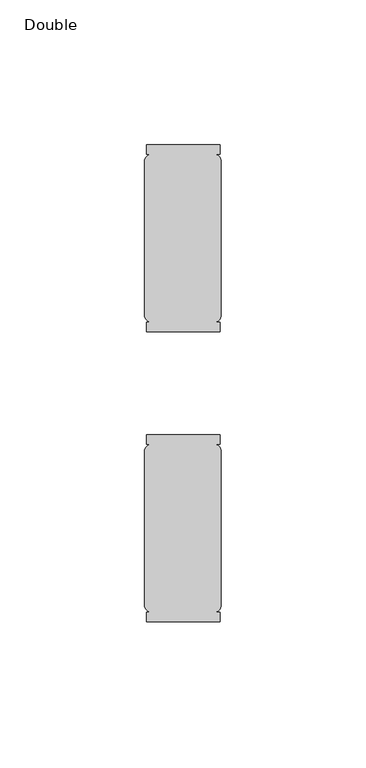
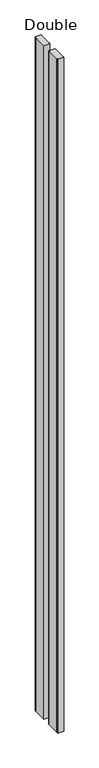
"""IFC4 building model written with IfcOpenShell, lengths in millimetres: furniture geometry, Double."""

from ifc_helpers import new_model, si_unit, point, frame, frame_2d, origin, place, context, project, spatial, polyline, circle_curve, trimmed, segment, composite_curve, outline, extrude, source, transform, mapped, element, save


def double_fddc63f3(model_context):
    return source(origin(), model_context, "Body", "SweptSolid", [
        extrude(outline(composite_curve([segment(polyline([(-13.1617229, 27.4619229), (-13.1617229, 81.5040771)]), True, "CONTINUOUS"), segment(trimmed(circle_curve(frame_2d((-10.4608087, 80.7888858)), 2.794), [point((-13.1617229, 81.5040771))], [point((-11.176, 83.4898))], False, "CARTESIAN"), True, "CONTINUOUS"), segment(polyline([(-11.176, 83.4898), (-12.5772868, 83.4898), (-12.5772868, 86.6648), (12.8227132, 86.6648), (12.8227132, 83.4898), (11.176, 83.4898)]), True, "CONTINUOUS"), segment(trimmed(circle_curve(frame_2d((10.4608087, 80.7888858)), 2.794), [point((11.176, 83.4898))], [point((13.1617229, 81.5040771))], False, "CARTESIAN"), True, "CONTINUOUS"), segment(polyline([(13.1617229, 81.5040771), (13.1617229, 27.4619229)]), True, "CONTINUOUS"), segment(trimmed(circle_curve(frame_2d((10.4608087, 28.1771142)), 2.794), [point((13.1617229, 27.4619229))], [point((11.176, 25.4762))], False, "CARTESIAN"), True, "CONTINUOUS"), segment(polyline([(11.176, 25.4762), (12.8227132, 25.4762), (12.8227132, 22.3012), (-12.5772868, 22.3012), (-12.5772868, 25.4762), (-11.176, 25.4762)]), True, "CONTINUOUS"), segment(trimmed(circle_curve(frame_2d((-10.4608087, 28.1771142)), 2.794), [point((-11.176, 25.4762))], [point((-13.1617229, 27.4619229))], False, "CARTESIAN"), True, "CONTINUOUS")], self_intersect=False)), frame((0.0, 0.0, 29.718), z_axis=(0.0, 0.0, 1.0), x_axis=(1.0, 0.0, 0.0)), (0.0, 0.0, 1.0), 2985.227399),
        extrude(outline(composite_curve([segment(trimmed(circle_curve(frame_2d((-10.4608087, -19.2363142)), 2.794), [point((-13.1617229, -18.5211229))], [point((-11.176, -16.5354))], False, "CARTESIAN"), True, "CONTINUOUS"), segment(polyline([(-11.176, -16.5354), (-12.5772868, -16.5354), (-12.5772868, -13.3604), (12.8227132, -13.3604), (12.8227132, -16.5354), (11.176, -16.5354)]), True, "CONTINUOUS"), segment(trimmed(circle_curve(frame_2d((10.4608087, -19.2363142)), 2.794), [point((11.176, -16.5354))], [point((13.1617229, -18.5211229))], False, "CARTESIAN"), True, "CONTINUOUS"), segment(polyline([(13.1617229, -18.5211229), (13.1617229, -72.5632771)]), True, "CONTINUOUS"), segment(trimmed(circle_curve(frame_2d((10.4608087, -71.8480858)), 2.794), [point((13.1617229, -72.5632771))], [point((11.176, -74.549))], False, "CARTESIAN"), True, "CONTINUOUS"), segment(polyline([(11.176, -74.549), (12.8227132, -74.549), (12.8227132, -77.724), (-12.5772868, -77.724), (-12.5772868, -74.549), (-11.176, -74.549)]), True, "CONTINUOUS"), segment(trimmed(circle_curve(frame_2d((-10.4608087, -71.8480858)), 2.794), [point((-11.176, -74.549))], [point((-13.1617229, -72.5632771))], False, "CARTESIAN"), True, "CONTINUOUS"), segment(polyline([(-13.1617229, -72.5632771), (-13.1617229, -18.5211229)]), True, "CONTINUOUS")], self_intersect=False)), frame((0.0, 0.0, 29.718), z_axis=(0.0, 0.0, 1.0), x_axis=(1.0, 0.0, 0.0)), (0.0, 0.0, 1.0), 2985.227399),
    ])


if __name__ == "__main__":
    model = new_model("IFC4")
    model_context = context("Model", 3, world=origin())
    ifc_project = project(units=[si_unit("LENGTHUNIT", "METRE", prefix="MILLI")], contexts=[model_context])
    site = spatial("IfcSite", under=ifc_project)
    building = spatial("IfcBuilding", under=site)
    placement = place(None, origin())
    double_shape = double_fddc63f3(model_context)
    element("IfcFurniture", 1, ObjectType="Double", at=placement, inside=building, context=model_context, shape_type="MappedRepresentation", body=[
        mapped(double_shape, transform((0.0, 0.0, 0.0), x_axis=(1.0, 0.0, 0.0), y_axis=(0.0, 1.0, 0.0), z_axis=(0.0, 0.0, 1.0))),
    ])
    save(model, "model.ifc")
